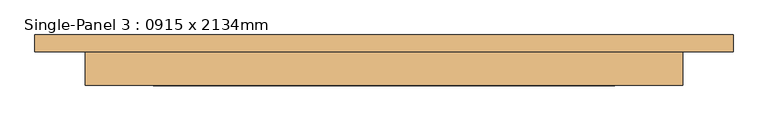
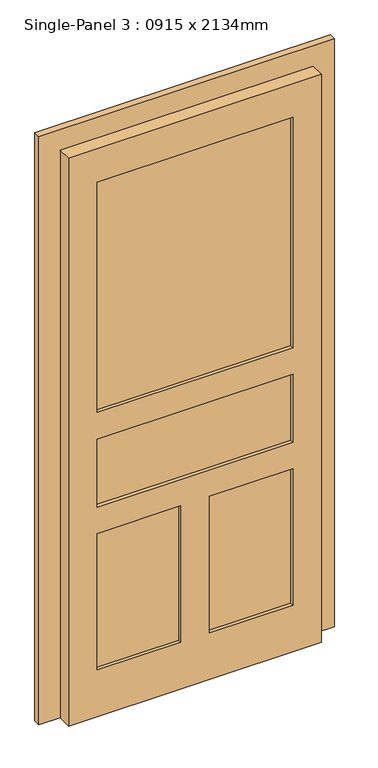
"""IFC4 building model written with IfcOpenShell, lengths in millimetres: door geometry, Single-Panel 3 : 0915 x 2134mm."""

from ifc_helpers import new_model, si_unit, frame, origin, place, context, project, spatial, polyline, outline, extrude, source, transform, mapped, element, save


def single_panel_3_0915_x_2134mm_c68990b2(model_context):
    return source(origin(), model_context, "Body", "SweptSolid", [
        extrude(outline(polyline([(2210.0, -526.0), (0.0, -526.0), (0.0, -450.0), (2134.0, -450.0), (2134.0, 450.0), (0.0, 450.0), (0.0, 526.0), (2210.0, 526.0), (2210.0, -526.0)])), frame((0.0, 125.0, 0.0), z_axis=(0.0, 1.0, 0.0), x_axis=(0.0, 0.0, 1.0)), (0.0, 0.0, 1.0), 25.0),
        extrude(outline(polyline([(348.0, 86.7), (-348.0, 86.7), (-348.0, 112.3), (348.0, 112.3), (348.0, 86.7)])), frame((0.0, 0.0, 1143.0), z_axis=(0.0, 0.0, 1.0), x_axis=(1.0, 0.0, 0.0)), (0.0, 0.0, 1.0), 866.0),
        extrude(outline(polyline([(348.0, 86.7), (-348.0, 86.7), (-348.0, 112.3), (348.0, 112.3), (348.0, 86.7)])), frame((0.0, 0.0, 787.4), z_axis=(0.0, 0.0, 1.0), x_axis=(1.0, 0.0, 0.0)), (0.0, 0.0, 1.0), 255.6),
        extrude(outline(polyline([(-51.0, 86.7), (-348.0, 86.7), (-348.0, 112.3), (-51.0, 112.3), (-51.0, 86.7)])), frame((0.0, 0.0, 175.0), z_axis=(0.0, 0.0, 1.0), x_axis=(1.0, 0.0, 0.0)), (0.0, 0.0, 1.0), 512.4),
        extrude(outline(polyline([(348.0, 86.7), (51.0, 86.7), (51.0, 112.3), (348.0, 112.3), (348.0, 86.7)])), frame((0.0, 0.0, 175.0), z_axis=(0.0, 0.0, 1.0), x_axis=(1.0, 0.0, 0.0)), (0.0, 0.0, 1.0), 512.4),
        extrude(outline(polyline([(2134.0, -450.0), (0.0, -450.0), (0.0, 450.0), (2134.0, 450.0), (2134.0, -450.0)]), holes=[polyline([(2009.0, -348.0), (2009.0, 348.0), (1143.0, 348.0), (1143.0, -348.0), (2009.0, -348.0)]), polyline([(1043.0, -348.0), (1043.0, 348.0), (787.4, 348.0), (787.4, -348.0), (1043.0, -348.0)]), polyline([(687.4, -51.0), (175.0, -51.0), (175.0, -348.0), (687.4, -348.0), (687.4, -51.0)]), polyline([(687.4, 348.0), (175.0, 348.0), (175.0, 51.0), (687.4, 51.0), (687.4, 348.0)])]), frame((0.0, 74.0, 0.0), z_axis=(0.0, 1.0, 0.0), x_axis=(0.0, 0.0, 1.0)), (0.0, 0.0, 1.0), 51.0),
    ])


if __name__ == "__main__":
    model = new_model("IFC4")
    model_context = context("Model", 3, world=origin())
    ifc_project = project(units=[si_unit("LENGTHUNIT", "METRE", prefix="MILLI")], contexts=[model_context])
    site = spatial("IfcSite", under=ifc_project)
    building = spatial("IfcBuilding", under=site)
    placement = place(None, origin())
    single_panel_3_0915_x_2134mm_shape = single_panel_3_0915_x_2134mm_c68990b2(model_context)
    element("IfcDoor", 1, ObjectType="Single-Panel 3 : 0915 x 2134mm", at=placement, inside=building, context=model_context, shape_type="MappedRepresentation", body=[
        mapped(single_panel_3_0915_x_2134mm_shape, transform((0.0, 0.0, 0.0), x_axis=(1.0, 0.0, 0.0), y_axis=(0.0, 1.0, 0.0), z_axis=(0.0, 0.0, 1.0))),
    ])
    save(model, "model.ifc")
